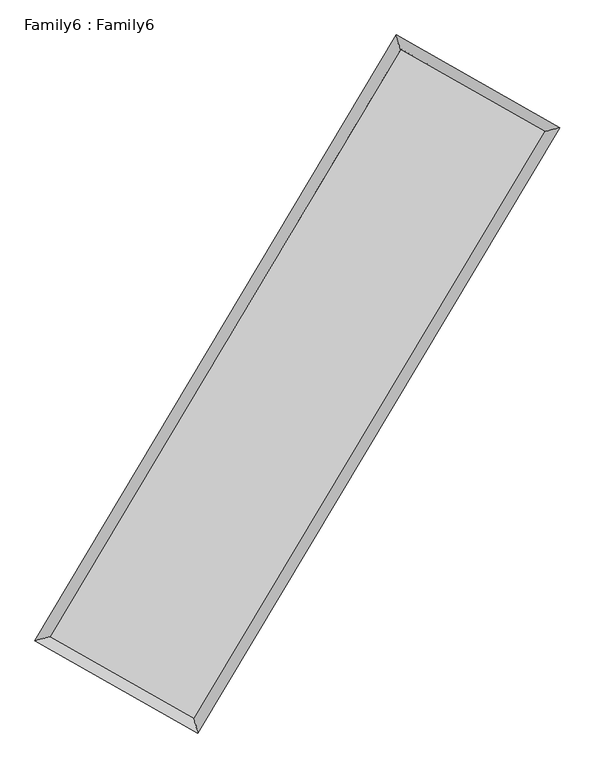
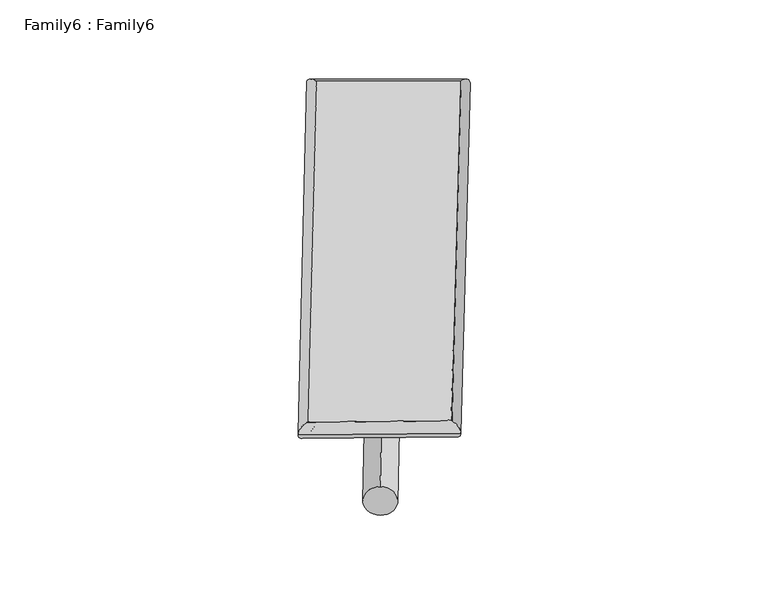
"""IFC4 building model written with IfcOpenShell, lengths in millimetres: plate geometry, Family6 : Family6."""

from ifc_helpers import new_model, si_unit, point, frame, origin, origin_2d, place, context, project, spatial, circle_curve, ellipse_curve, trimmed, segment, composite_curve, outline, extrude, source, transform, mapped, element, save
from ifc_brep_helpers import plane_surface, cylinder_surface, spline_surface, advanced_brep


def family6_family6_85a4ecd0(model_context):
    return source(origin(), model_context, "Body", "SolidModel", [
        extrude(outline(composite_curve([segment(trimmed(circle_curve(origin_2d(), 76.2), [point((-75.4341514, -10.7763073))], [point((75.4341514, 10.7763073))], False, "CARTESIAN"), True, "CONTINUOUS"), segment(trimmed(circle_curve(origin_2d(), 76.2), [point((75.4341514, 10.7763073))], [point((-75.4341514, -10.7763073))], False, "CARTESIAN"), True, "CONTINUOUS")], self_intersect=False)), frame((9144.0, 9144.0, 0.0), z_axis=(0.6750531720050907, 0.6862994925610951, 0.27073274917573037), x_axis=(-0.6781866240886051, 0.7217168154147664, -0.13851982260625814)), (0.0, 0.0, 1.0), 5590.7910329),
        extrude(outline(composite_curve([segment(trimmed(circle_curve(origin_2d(), 76.2), [point((-53.8815367, 53.8815367))], [point((53.8815367, -53.8815367))], False, "CARTESIAN"), True, "CONTINUOUS"), segment(trimmed(circle_curve(origin_2d(), 76.2), [point((53.8815367, -53.8815367))], [point((-53.8815367, 53.8815367))], False, "CARTESIAN"), True, "CONTINUOUS")], self_intersect=False)), frame((9144.0, 9144.0, 0.0), z_axis=(-0.6744548271003185, -0.6868793482333545, 0.2707534804422686), x_axis=(0.6396976908218212, -0.3605521572433078, 0.6788144122397717)), (0.0, 0.0, 1.0), 5590.1139688),
        extrude(outline(composite_curve([segment(trimmed(circle_curve(origin_2d(), 76.2), [point((-53.8815367, -53.8815367))], [point((53.8815367, 53.8815367))], False, "CARTESIAN"), True, "CONTINUOUS"), segment(trimmed(circle_curve(origin_2d(), 76.2), [point((53.8815367, 53.8815367))], [point((-53.8815367, -53.8815367))], False, "CARTESIAN"), True, "CONTINUOUS")], self_intersect=False)), frame((9144.0, 9144.0, 0.0), z_axis=(0.280936990780266, 0.9191017752867048, 0.27627220974277633), x_axis=(-0.8389613492777377, 0.3749851795556604, -0.3943728813340072)), (0.0, 0.0, 1.0), 5542.2809711),
        extrude(outline(composite_curve([segment(trimmed(circle_curve(origin_2d(), 76.2), [point((-75.4341514, 10.7763073))], [point((75.4341514, -10.7763073))], False, "CARTESIAN"), True, "CONTINUOUS"), segment(trimmed(circle_curve(origin_2d(), 76.2), [point((75.4341514, -10.7763073))], [point((-75.4341514, 10.7763073))], False, "CARTESIAN"), True, "CONTINUOUS")], self_intersect=False)), frame((9144.0, 9144.0, 0.0), z_axis=(-0.281788995274572, -0.9188466022575059, 0.2762532962011205), x_axis=(0.8759672720561902, -0.12888578641622525, 0.46483308009037794)), (0.0, 0.0, 1.0), 5542.6419842),
        advanced_brep(
        [(5163.0865423, 5248.5826939, 1514.9362888), (5584.3653647, 5359.9647972, 1515.3360515), (5584.3547571, 5359.9496272, 1512.1493374), (10755.5587968, 14031.8194512, 1529.2679623), (10646.5046793, 14444.0211082, 1533.0884595), (5163.0759348, 5248.5675239, 1511.7495747), (12707.2797733, 12925.2850579, 1513.802451), (13128.8826682, 13036.6290399, 1513.4180018), (7527.7540412, 4257.2471388, 1530.8505257), (7636.534927, 3845.0773518, 1531.4957099)],
        [
            (0, 1, ellipse_curve(frame((5373.7206497, 5304.2661606, 1513.5428131), z_axis=(-0.255602450851042, 0.9667746966355296, -0.003751408298280092), x_axis=(-0.9667580486399088, -0.2556215001825415, -0.006043511759148635)), 217.8921448, 152.4)),
            (1, 2, ellipse_curve(frame((5373.7206497, 5304.2661606, 1513.5428131), z_axis=(-0.255602450851042, 0.9667746966355296, -0.003751408298280092), x_axis=(-0.9667580486399088, -0.2556215001825415, -0.006043511759148635)), 217.8921448, 152.4)),
            (2, 3),
            (3, 4, ellipse_curve(frame((10701.0317381, 14237.9202797, 1531.1782109), z_axis=(-0.966724197417396, -0.25579505158723653, 0.003635617028056412), x_axis=(0.255770336441051, -0.9667180698160616, -0.00614072373096495)), 213.2011878, 152.4)),
            (4, 0),
            (2, 5, ellipse_curve(frame((5373.7206497, 5304.2661606, 1513.5428131), z_axis=(-0.255602450851042, 0.9667746966355296, -0.003751408298280092), x_axis=(-0.9667580486399088, -0.2556215001825415, -0.006043511759148635)), 217.8921448, 152.4)),
            (5, 0, ellipse_curve(frame((5373.7206497, 5304.2661606, 1513.5428131), z_axis=(-0.255602450851042, 0.9667746966355296, -0.003751408298280092), x_axis=(-0.9667580486399088, -0.2556215001825415, -0.006043511759148635)), 217.8921448, 152.4)),
            (4, 3, ellipse_curve(frame((10701.0317381, 14237.9202797, 1531.1782109), z_axis=(-0.966724197417396, -0.25579505158723653, 0.003635617028056412), x_axis=(0.255770336441051, -0.9667180698160616, -0.00614072373096495)), 213.2011878, 152.4)),
            (3, 6),
            (6, 7, ellipse_curve(frame((12918.0812208, 12980.9570489, 1513.6102264), z_axis=(-0.25533725897768744, 0.9668448803355659, 0.003723109811261221), x_axis=(-0.9668284750965945, -0.25535603035994126, 0.005999791763607955)), 218.032019, 152.4)),
            (7, 4),
            (7, 6, ellipse_curve(frame((12918.0812208, 12980.9570489, 1513.6102264), z_axis=(-0.25533725897768744, 0.9668448803355659, 0.003723109811261221), x_axis=(-0.9668284750965945, -0.25535603035994126, 0.005999791763607955)), 218.032019, 152.4)),
            (6, 8),
            (8, 9, ellipse_curve(frame((7582.1444841, 4051.1622453, 1531.1731178), z_axis=(0.9668843899674406, 0.25518830950992605, 0.003674660087209862), x_axis=(-0.255163236661185, 0.9668782833953085, -0.006173147910887997)), 213.1439671, 152.4)),
            (9, 7),
            (9, 8, ellipse_curve(frame((7582.1444841, 4051.1622453, 1531.1731178), z_axis=(0.9668843899674406, 0.25518830950992605, 0.003674660087209862), x_axis=(-0.255163236661185, 0.9668782833953085, -0.006173147910887997)), 213.1439671, 152.4)),
            (8, 1),
            (5, 9),
        ],
        [
            cylinder_surface(frame((5373.7206497, 5304.2661606, 1513.5428131), z_axis=(-0.5121686974287297, -0.8588831997157678, -0.0016954704841134387), x_axis=(-0.8588430813528838, 0.5121233048715758, 0.010875762947888938)), 152.4),
            cylinder_surface(frame((10701.0317381, 14237.9202797, 1531.1782109), z_axis=(-0.8698945943505784, 0.4931894972492774, 0.0068930778791366654), x_axis=(0.4932276699014667, 0.8698809864219568, 0.005790950278950477)), 152.4),
            cylinder_surface(frame((12918.0812208, 12980.9570489, 1513.6102264), z_axis=(0.5129433680705244, 0.8584207888489614, -0.0016883199913693956), x_axis=(0.8584223226374394, -0.5129433680705244, 0.0004659937878171164)), 152.4),
            cylinder_surface(frame((7582.1444841, 4051.1622453, 1531.1731178), z_axis=(0.869720031321211, -0.49349656505018197, 0.006943155068354983), x_axis=(-0.49347486125155327, -0.8697475119449323, -0.004671913779204001)), 152.4),
        ],
        [
            (0, [[1, 2, 3, 4, 5]]),
            (0, [[6, 7, -5, 8, -3]]),
            (1, [[-4, 9, 10, 11]]),
            (1, [[-8, -11, 12, -9]]),
            (2, [[-10, 13, 14, 15]]),
            (2, [[-12, -15, 16, -13]]),
            (3, [[-14, 17, -1, -7, 18]]),
            (3, [[-16, -18, -6, -2, -17]]),
        ],
    ),
        extrude(outline(composite_curve([segment(trimmed(circle_curve(origin_2d(), 304.8), [point((0.0, 304.8))], [point((0.0, -304.8))], False, "CARTESIAN"), True, "CONTINUOUS"), segment(trimmed(circle_curve(origin_2d(), 304.8), [point((0.0, -304.8))], [point((0.0, 304.8))], False, "CARTESIAN"), True, "CONTINUOUS")], self_intersect=False)), frame((11811.5178171, 13634.197357, -0.0004659), z_axis=(-0.5107458643418739, -0.8597317384263911, 8.919995086948637e-08), x_axis=(-0.8597317384263953, 0.5107458643418737, -2.4497353604685873e-08)), (0.0, 0.0, 1.0), 10445.5777455),
        advanced_brep(
        [(5373.7206497, 5304.2661606, 1513.5428131), (7582.1444841, 4051.1622453, 1531.1731178), (7582.1442949, 4051.1617526, 1683.5731178), (5373.7204605, 5304.2656679, 1665.9428131), (12918.0812208, 12980.9570489, 1513.6102264), (12918.0810316, 12980.9565562, 1666.0102264), (10701.0317381, 14237.9202797, 1531.1782109), (10701.0315489, 14237.919787, 1683.5782109)],
        [
            (0, 1),
            (1, 2),
            (2, 3),
            (3, 0),
            (1, 4),
            (4, 5),
            (5, 2),
            (4, 6),
            (6, 7),
            (7, 5),
            (6, 0),
            (3, 7),
        ],
        [
            plane_surface(frame((6477.9325669, 4677.7142029, 1522.3579655), z_axis=(-0.4935084398919946, -0.8697410072795487, -3.4243214193973096e-06), x_axis=(0.8697200313212113, -0.49349656505018163, 0.006943155068354994))),
            plane_surface(frame((10250.1128524, 8516.0596471, 1522.3916721), z_axis=(0.8584220117700347, -0.5129440999839413, -5.925647331898962e-07), x_axis=(0.5129433680705241, 0.8584207888489618, -0.0016883199913693893))),
            plane_surface(frame((11809.5564794, 13609.4386643, 1522.3942187), z_axis=(0.493201235030868, 0.8699152497526984, 3.4245033426836408e-06), x_axis=(-0.8698945943505784, 0.4931894972492774, 0.00689307787913667))),
            plane_surface(frame((8037.3761939, 9771.0932201, 1522.360512), z_axis=(-0.8588844347116537, 0.5121694327170414, 5.894863470597969e-07), x_axis=(-0.5121686974287303, -0.8588831997157678, -0.001695470484113437))),
            spline_surface(1, 1, [[(7582.1442949, 4051.1617526, 1683.5731178), (5373.7204605, 5304.2656679, 1665.9428131)], [(12918.0810316, 12980.9565562, 1666.0102264), (10701.0315489, 14237.919787, 1683.5782109)]], [2, 2], [2, 2], [0.0, 1.0], [0.0, 1.0]),
            spline_surface(1, 1, [[(10701.0317381, 14237.9202797, 1531.1782109), (5373.7206497, 5304.2661606, 1513.5428131)], [(12918.0812208, 12980.9570489, 1513.6102264), (7582.1444841, 4051.1622453, 1531.1731178)]], [2, 2], [2, 2], [0.0, 1.0], [0.0, 1.0]),
        ],
        [
            (0, [[1, 2, 3, 4]]),
            (1, [[5, 6, 7, -2]]),
            (2, [[8, 9, 10, -6]]),
            (3, [[11, -4, 12, -9]]),
            (4, [[-3, -7, -10, -12]]),
            (5, [[-11, -8, -5, -1]]),
        ],
    ),
    ])


if __name__ == "__main__":
    model = new_model("IFC4")
    model_context = context("Model", 3, world=origin())
    ifc_project = project(units=[si_unit("LENGTHUNIT", "METRE", prefix="MILLI")], contexts=[model_context])
    site = spatial("IfcSite", under=ifc_project)
    building = spatial("IfcBuilding", under=site)
    placement = place(None, origin())
    family6_family6_shape = family6_family6_85a4ecd0(model_context)
    element("IfcPlate", 1, ObjectType="Family6 : Family6", at=placement, inside=building, context=model_context, shape_type="MappedRepresentation", body=[
        mapped(family6_family6_shape, transform((0.0, 0.0, 0.0), x_axis=(1.0, 0.0, 0.0), y_axis=(0.0, 1.0, 0.0), z_axis=(0.0, 0.0, 1.0))),
    ])
    save(model, "model.ifc")
